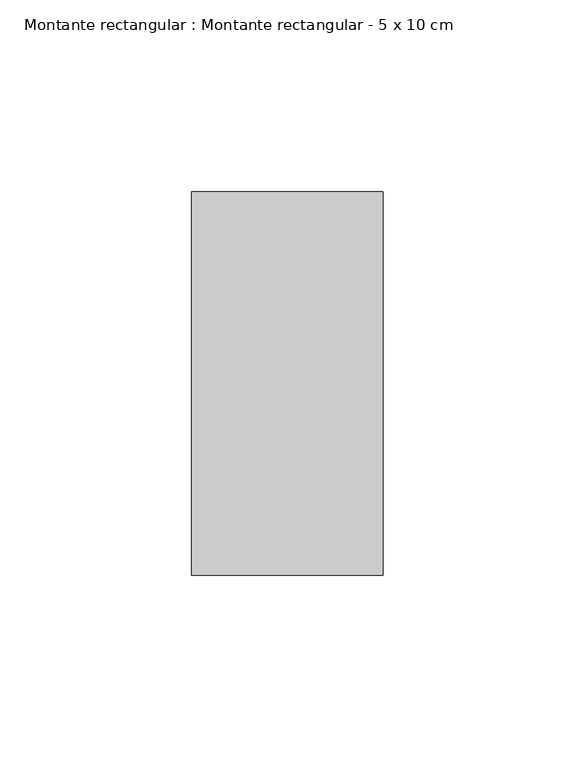
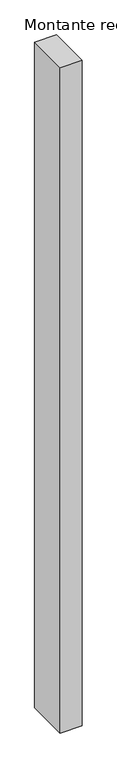
"""IFC4 building model written with IfcOpenShell, lengths in millimetres: member geometry, Montante rectangular : Montante rectangular - 5 x 10 cm."""

import ifcopenshell
import ifcopenshell.guid

model = None  # the IFC model being written
_history = None  # IfcOwnerHistory: only IFC2X3 demands one
_inside = {}  # id of a spatial element -> (the spatial element, [elements in it])
_under = {}  # id of a project, library or spatial element -> (it, [spatial elements below it])
_declared = {}  # id of a project -> (the project, [libraries it declares])
_typed = {}  # id of a type object -> (the type object, [elements of that type])
_made_of = {}  # id of a material, layer set ... -> (it, [elements and type objects made of it])


def new_model(schema):
    """Start an empty IFC model of exactly this schema.

    Asked for "IFC4X3", IfcOpenShell would pick the latest addendum, in which some entities
    have other attributes; the version numbers below select the first issue.
    IFC2X3 requires an IfcOwnerHistory on every rooted entity: one is made here for all.
    """
    global model, _history
    if schema == "IFC4X3":
        model = ifcopenshell.file(schema_version=(4, 3, 0, 0))
    else:
        model = ifcopenshell.file(schema=schema)
    _inside.clear()
    _under.clear()
    _declared.clear()
    _typed.clear()
    _made_of.clear()
    _history = None
    if model.schema == "IFC2X3":
        org = make("IfcOrganization", Name="unknown")
        user = make(
            "IfcPersonAndOrganization",
            ThePerson=make("IfcPerson", FamilyName="unknown"),
            TheOrganization=org,
        )
        app = make(
            "IfcApplication",
            ApplicationDeveloper=org,
            Version="unknown",
            ApplicationFullName="unknown",
            ApplicationIdentifier="unknown",
        )
        _history = make(
            "IfcOwnerHistory",
            OwningUser=user,
            OwningApplication=app,
            ChangeAction="ADDED",
            CreationDate=0,
        )
    return model


def make(cls, **values):
    """One entity of the class cls with the attributes given. An attribute that is None is left unset."""
    return model.create_entity(
        cls, **{name: value for name, value in values.items() if value is not None}
    )


def rooted(cls, **values):
    """An entity with a GlobalId (a new one), such as an element, a storey or a relation."""
    return make(cls, GlobalId=ifcopenshell.guid.new(), OwnerHistory=_history, **values)


def si_unit(unit_type, name, prefix=None):
    """IfcSIUnit, for example si_unit("LENGTHUNIT", "METRE", prefix="MILLI")."""
    return make("IfcSIUnit", UnitType=unit_type, Prefix=prefix, Name=name)


def assignment(units):
    """IfcUnitAssignment: the units of a project."""
    return None if units is None else make("IfcUnitAssignment", Units=units)


def point(xyz):
    """IfcCartesianPoint."""
    return None if xyz is None else make("IfcCartesianPoint", Coordinates=xyz)


def direction(xyz):
    """IfcDirection."""
    return None if xyz is None else make("IfcDirection", DirectionRatios=xyz)


def frame(location, z_axis=None, x_axis=None):
    """IfcAxis2Placement3D, a coordinate frame: its origin and axes. An axis left out is left unset."""
    return make(
        "IfcAxis2Placement3D",
        Location=point(location),
        Axis=direction(z_axis),
        RefDirection=direction(x_axis),
    )


def origin():
    """The frame at (0, 0, 0) with its axes left unset."""
    return frame((0.0, 0.0, 0.0))


def place(relative_to, where):
    """IfcLocalPlacement: puts the frame where relative to a parent placement (None: the world)."""
    return make(
        "IfcLocalPlacement", PlacementRelTo=relative_to, RelativePlacement=where
    )


def context(
    kind, dimensions, precision=None, world=None, true_north=None, identifier=None
):
    """IfcGeometricRepresentationContext, for example the 3D "Model" context."""
    return make(
        "IfcGeometricRepresentationContext",
        ContextIdentifier=identifier,
        ContextType=kind,
        CoordinateSpaceDimension=dimensions,
        Precision=precision,
        WorldCoordinateSystem=world,
        TrueNorth=true_north,
    )


def project(units=None, contexts=None):
    """IfcProject with its units and contexts."""
    return rooted(
        "IfcProject",
        Name="project",
        RepresentationContexts=contexts,
        UnitsInContext=assignment(units),
    )


def spatial(cls, under=None, at=None, **own):
    """A site, building, storey or space (cls), placed at a placement, below another one or the project."""
    s = rooted(cls, ObjectPlacement=at, **own)
    if under is not None:
        _under.setdefault(under.id(), (under, []))[1].append(s)
    return s


def polyline(points):
    """IfcPolyline through the points."""
    return make("IfcPolyline", Points=[point(p) for p in points])


def outline(outer, holes=None, kind="AREA"):
    """IfcArbitraryClosedProfileDef: a profile drawn as a closed curve; with holes, ...WithVoids."""
    if holes is None:
        return make("IfcArbitraryClosedProfileDef", ProfileType=kind, OuterCurve=outer)
    return make(
        "IfcArbitraryProfileDefWithVoids",
        ProfileType=kind,
        OuterCurve=outer,
        InnerCurves=holes,
    )


def extrude(swept, where, along, depth):
    """IfcExtrudedAreaSolid: the profile swept, set in the frame where, extruded along a direction by depth."""
    return make(
        "IfcExtrudedAreaSolid",
        SweptArea=swept,
        Position=where,
        ExtrudedDirection=direction(along),
        Depth=depth,
    )


def shape(context_of_items, identifier, shape_type, items):
    """IfcShapeRepresentation: the items that make up one representation, for example the "Body"."""
    return make(
        "IfcShapeRepresentation",
        ContextOfItems=context_of_items,
        RepresentationIdentifier=identifier,
        RepresentationType=shape_type,
        Items=items,
    )


def source(mapping_origin, context_of_items, identifier, shape_type, items):
    """IfcRepresentationMap: a shape defined once, which mapped items show again and again."""
    return make(
        "IfcRepresentationMap",
        MappingOrigin=mapping_origin,
        MappedRepresentation=shape(context_of_items, identifier, shape_type, items),
    )


def transform(
    local_origin,
    x_axis=None,
    y_axis=None,
    z_axis=None,
    scale=None,
    scale2=None,
    scale3=None,
    uniform=True,
):
    """IfcCartesianTransformationOperator3D, or its non-uniform kind. x_axis, y_axis, z_axis: its Axis1, 2, 3."""
    if uniform:
        return make(
            "IfcCartesianTransformationOperator3D",
            Axis1=direction(x_axis),
            Axis2=direction(y_axis),
            LocalOrigin=point(local_origin),
            Scale=scale,
            Axis3=direction(z_axis),
        )
    return make(
        "IfcCartesianTransformationOperator3DnonUniform",
        Axis1=direction(x_axis),
        Axis2=direction(y_axis),
        LocalOrigin=point(local_origin),
        Scale=scale,
        Axis3=direction(z_axis),
        Scale2=scale2,
        Scale3=scale3,
    )


def mapped(mapping_source, mapping_target):
    """IfcMappedItem: shows the shape of a source again, moved by a transform."""
    return make(
        "IfcMappedItem", MappingSource=mapping_source, MappingTarget=mapping_target
    )


def made_of(thing, what):
    """Note that an element or type object is made of a material, layer set ...; save() writes the relation."""
    if what is not None:
        _made_of.setdefault(what.id(), (what, []))[1].append(thing)
    return thing


def element(
    cls,
    number,
    at=None,
    inside=None,
    cuts=None,
    type_object=None,
    material=None,
    context=None,
    identifier="Body",
    shape_type=None,
    held_by="IfcProductDefinitionShape",
    body=None,
    shapes=None,
    **own,
):
    """One element of the class cls, such as IfcWall. Its Tag is "e" and its number.

    at: its placement. inside: the storey or other place that contains it. cuts: it is an
    opening in that element (IfcRelVoidsElement). A single representation is given by context,
    identifier, shape_type and body (its items); several are given by shapes. held_by: the class
    of the entity that holds the representations. save() writes the other relations.
    """
    e = rooted(cls, Tag="e%d" % number, ObjectPlacement=at, **own)
    if body is not None:
        shapes = [shape(context, identifier, shape_type, body)]
    if shapes is not None:
        e.Representation = make(held_by, Representations=shapes)
    if inside is not None:
        _inside.setdefault(inside.id(), (inside, []))[1].append(e)
    if cuts is not None:
        rooted(
            "IfcRelVoidsElement", RelatingBuildingElement=cuts, RelatedOpeningElement=e
        )
    if type_object is not None:
        _typed.setdefault(type_object.id(), (type_object, []))[1].append(e)
    return made_of(e, material)


def aggregate(whole, parts):
    """IfcRelAggregates: a whole, such as a stair, and the parts it consists of."""
    return rooted("IfcRelAggregates", RelatingObject=whole, RelatedObjects=parts)


def save(model, path):
    """Write the relations noted so far, then the file.

    IfcRelAggregates (storeys below a building ...), IfcRelContainedInSpatialStructure (elements
    in a storey), IfcRelDefinesByType, IfcRelAssociatesMaterial and IfcRelDeclares: one each for
    every whole, place, type object, material and project.
    """
    for whole, parts in _under.values():
        aggregate(whole, parts)
    for where, things in _inside.values():
        rooted(
            "IfcRelContainedInSpatialStructure",
            RelatedElements=things,
            RelatingStructure=where,
        )
    for kind, things in _typed.values():
        rooted("IfcRelDefinesByType", RelatedObjects=things, RelatingType=kind)
    for what, things in _made_of.values():
        rooted("IfcRelAssociatesMaterial", RelatedObjects=things, RelatingMaterial=what)
    for by, libraries in _declared.values():
        rooted("IfcRelDeclares", RelatingContext=by, RelatedDefinitions=libraries)
    model.write(path)


def montante_rectangular_montante_rectangular_5_x_10_cm_837d698c(model_context):
    return source(origin(), model_context, "Body", "SweptSolid", [
        extrude(outline(polyline([(0.0, -50.0), (-50.0, -50.0), (-50.0, 50.0), (0.0, 50.0), (0.0, -50.0)])), frame((0.0, 0.0, -1594.4303161), z_axis=(0.0, 0.0, 1.0), x_axis=(1.0, 0.0, 0.0)), (0.0, 0.0, 1.0), 1594.4303161),
    ])


if __name__ == "__main__":
    model = new_model("IFC4")
    model_context = context("Model", 3, world=origin())
    ifc_project = project(units=[si_unit("LENGTHUNIT", "METRE", prefix="MILLI")], contexts=[model_context])
    site = spatial("IfcSite", under=ifc_project)
    building = spatial("IfcBuilding", under=site)
    placement = place(None, origin())
    montante_rectangular_montante_rectangular_5_x_10_cm_shape = montante_rectangular_montante_rectangular_5_x_10_cm_837d698c(model_context)
    element("IfcMember", 1, ObjectType="Montante rectangular : Montante rectangular - 5 x 10 cm", at=placement, inside=building, context=model_context, shape_type="MappedRepresentation", body=[
        mapped(montante_rectangular_montante_rectangular_5_x_10_cm_shape, transform((0.0, 0.0, 0.0), x_axis=(1.0, 0.0, 0.0), y_axis=(0.0, 1.0, 0.0), z_axis=(0.0, 0.0, 1.0))),
    ])
    save(model, "model.ifc")
